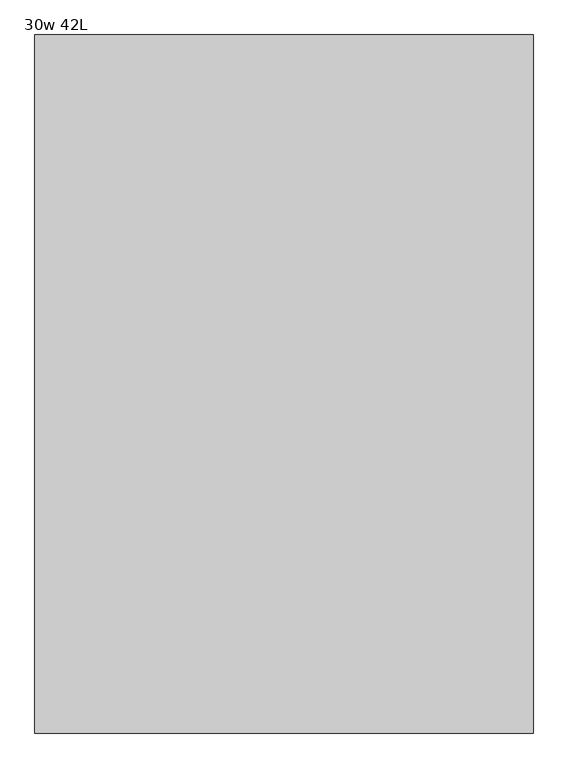
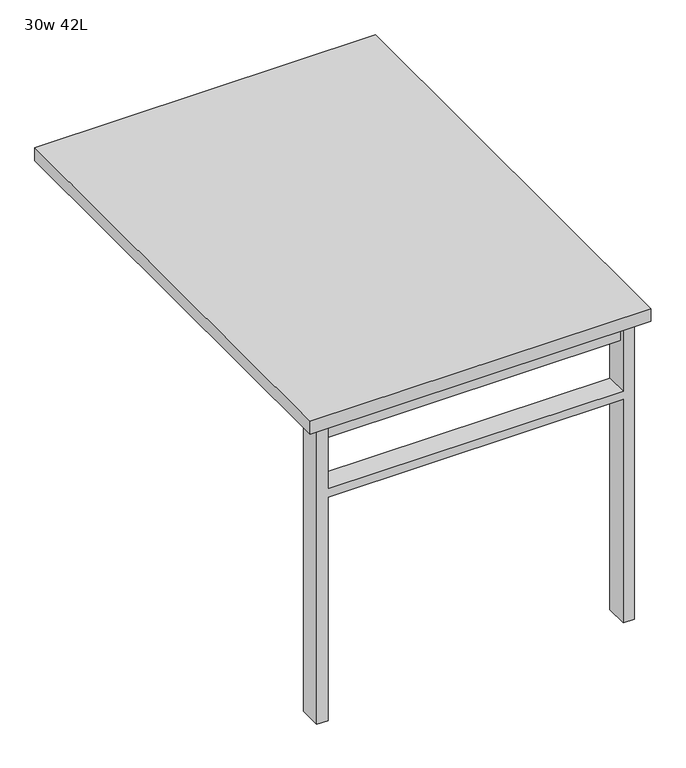
"""IFC4 building model written with IfcOpenShell, lengths in millimetres: furniture geometry, 30w 42L."""

from ifc_helpers import new_model, si_unit, frame, origin, place, context, project, spatial, polyline, outline, extrude, source, transform, mapped, element, save


def furniture_30w_42l_006d4a02(model_context):
    return source(origin(), model_context, "Body", "SweptSolid", [
        extrude(outline(polyline([(-330.2, -473.075), (330.2, -473.075), (330.2, -504.825), (-330.2, -504.825), (-330.2, -473.075)])), frame((0.0, 0.0, 661.9875), z_axis=(0.0, 0.0, 1.0), x_axis=(1.0, 0.0, 0.0)), (0.0, 0.0, 1.0), 44.45),
        extrude(outline(polyline([(528.6375, 330.2), (0.0, 330.2), (0.0, 355.6), (706.4375, 355.6), (706.4375, 330.2), (547.6875, 330.2), (547.6875, -330.2), (706.4375, -330.2), (706.4375, -355.6), (0.0, -355.6), (0.0, -330.2), (528.6375, -330.2), (528.6375, 330.2)])), frame((0.0, -514.35, 0.0), z_axis=(0.0, 1.0, 0.0), x_axis=(0.0, 0.0, 1.0)), (0.0, 0.0, 1.0), 50.8),
        extrude(outline(polyline([(-381.0, -533.4), (-381.0, 533.4), (381.0, 533.4), (381.0, -533.4), (-381.0, -533.4)])), frame((0.0, 0.0, 706.4375), z_axis=(0.0, 0.0, 1.0), x_axis=(1.0, 0.0, 0.0)), (0.0, 0.0, 1.0), 30.1625),
    ])


if __name__ == "__main__":
    model = new_model("IFC4")
    model_context = context("Model", 3, world=origin())
    ifc_project = project(units=[si_unit("LENGTHUNIT", "METRE", prefix="MILLI")], contexts=[model_context])
    site = spatial("IfcSite", under=ifc_project)
    building = spatial("IfcBuilding", under=site)
    placement = place(None, origin())
    furniture_30w_42l_shape = furniture_30w_42l_006d4a02(model_context)
    element("IfcFurniture", 1, ObjectType="30w 42L", at=placement, inside=building, context=model_context, shape_type="MappedRepresentation", body=[
        mapped(furniture_30w_42l_shape, transform((0.0, 0.0, 0.0), x_axis=(1.0, 0.0, 0.0), y_axis=(0.0, 1.0, 0.0), z_axis=(0.0, 0.0, 1.0))),
    ])
    save(model, "model.ifc")
